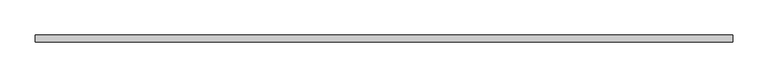
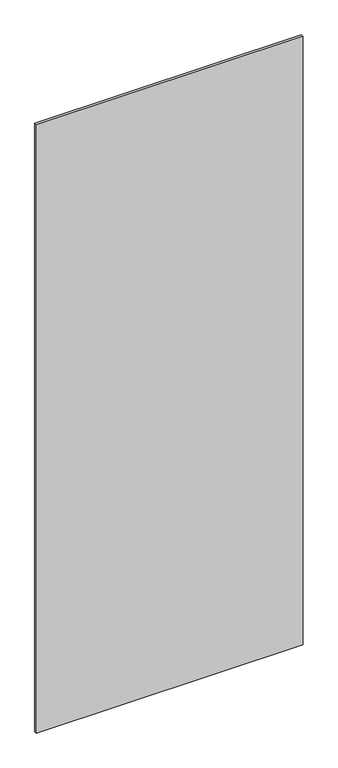
"""IFC4 building model written with IfcOpenShell, lengths in millimetres: plate geometry."""

import ifcopenshell
import ifcopenshell.guid

model = None  # the IFC model being written
_history = None  # IfcOwnerHistory: only IFC2X3 demands one
_inside = {}  # id of a spatial element -> (the spatial element, [elements in it])
_under = {}  # id of a project, library or spatial element -> (it, [spatial elements below it])
_declared = {}  # id of a project -> (the project, [libraries it declares])
_typed = {}  # id of a type object -> (the type object, [elements of that type])
_made_of = {}  # id of a material, layer set ... -> (it, [elements and type objects made of it])


def new_model(schema):
    """Start an empty IFC model of exactly this schema.

    Asked for "IFC4X3", IfcOpenShell would pick the latest addendum, in which some entities
    have other attributes; the version numbers below select the first issue.
    IFC2X3 requires an IfcOwnerHistory on every rooted entity: one is made here for all.
    """
    global model, _history
    if schema == "IFC4X3":
        model = ifcopenshell.file(schema_version=(4, 3, 0, 0))
    else:
        model = ifcopenshell.file(schema=schema)
    _inside.clear()
    _under.clear()
    _declared.clear()
    _typed.clear()
    _made_of.clear()
    _history = None
    if model.schema == "IFC2X3":
        org = make("IfcOrganization", Name="unknown")
        user = make(
            "IfcPersonAndOrganization",
            ThePerson=make("IfcPerson", FamilyName="unknown"),
            TheOrganization=org,
        )
        app = make(
            "IfcApplication",
            ApplicationDeveloper=org,
            Version="unknown",
            ApplicationFullName="unknown",
            ApplicationIdentifier="unknown",
        )
        _history = make(
            "IfcOwnerHistory",
            OwningUser=user,
            OwningApplication=app,
            ChangeAction="ADDED",
            CreationDate=0,
        )
    return model


def make(cls, **values):
    """One entity of the class cls with the attributes given. An attribute that is None is left unset."""
    return model.create_entity(
        cls, **{name: value for name, value in values.items() if value is not None}
    )


def rooted(cls, **values):
    """An entity with a GlobalId (a new one), such as an element, a storey or a relation."""
    return make(cls, GlobalId=ifcopenshell.guid.new(), OwnerHistory=_history, **values)


def si_unit(unit_type, name, prefix=None):
    """IfcSIUnit, for example si_unit("LENGTHUNIT", "METRE", prefix="MILLI")."""
    return make("IfcSIUnit", UnitType=unit_type, Prefix=prefix, Name=name)


def assignment(units):
    """IfcUnitAssignment: the units of a project."""
    return None if units is None else make("IfcUnitAssignment", Units=units)


def point(xyz):
    """IfcCartesianPoint."""
    return None if xyz is None else make("IfcCartesianPoint", Coordinates=xyz)


def direction(xyz):
    """IfcDirection."""
    return None if xyz is None else make("IfcDirection", DirectionRatios=xyz)


def frame(location, z_axis=None, x_axis=None):
    """IfcAxis2Placement3D, a coordinate frame: its origin and axes. An axis left out is left unset."""
    return make(
        "IfcAxis2Placement3D",
        Location=point(location),
        Axis=direction(z_axis),
        RefDirection=direction(x_axis),
    )


def origin():
    """The frame at (0, 0, 0) with its axes left unset."""
    return frame((0.0, 0.0, 0.0))


def origin_with_axes():
    """The frame at (0, 0, 0) with the z axis (0, 0, 1) and the x axis (1, 0, 0) written out."""
    return frame((0.0, 0.0, 0.0), z_axis=(0.0, 0.0, 1.0), x_axis=(1.0, 0.0, 0.0))


def place(relative_to, where):
    """IfcLocalPlacement: puts the frame where relative to a parent placement (None: the world)."""
    return make(
        "IfcLocalPlacement", PlacementRelTo=relative_to, RelativePlacement=where
    )


def context(
    kind, dimensions, precision=None, world=None, true_north=None, identifier=None
):
    """IfcGeometricRepresentationContext, for example the 3D "Model" context."""
    return make(
        "IfcGeometricRepresentationContext",
        ContextIdentifier=identifier,
        ContextType=kind,
        CoordinateSpaceDimension=dimensions,
        Precision=precision,
        WorldCoordinateSystem=world,
        TrueNorth=true_north,
    )


def project(units=None, contexts=None):
    """IfcProject with its units and contexts."""
    return rooted(
        "IfcProject",
        Name="project",
        RepresentationContexts=contexts,
        UnitsInContext=assignment(units),
    )


def spatial(cls, under=None, at=None, **own):
    """A site, building, storey or space (cls), placed at a placement, below another one or the project."""
    s = rooted(cls, ObjectPlacement=at, **own)
    if under is not None:
        _under.setdefault(under.id(), (under, []))[1].append(s)
    return s


def polyline(points):
    """IfcPolyline through the points."""
    return make("IfcPolyline", Points=[point(p) for p in points])


def outline(outer, holes=None, kind="AREA"):
    """IfcArbitraryClosedProfileDef: a profile drawn as a closed curve; with holes, ...WithVoids."""
    if holes is None:
        return make("IfcArbitraryClosedProfileDef", ProfileType=kind, OuterCurve=outer)
    return make(
        "IfcArbitraryProfileDefWithVoids",
        ProfileType=kind,
        OuterCurve=outer,
        InnerCurves=holes,
    )


def extrude(swept, where, along, depth):
    """IfcExtrudedAreaSolid: the profile swept, set in the frame where, extruded along a direction by depth."""
    return make(
        "IfcExtrudedAreaSolid",
        SweptArea=swept,
        Position=where,
        ExtrudedDirection=direction(along),
        Depth=depth,
    )


def shape(context_of_items, identifier, shape_type, items):
    """IfcShapeRepresentation: the items that make up one representation, for example the "Body"."""
    return make(
        "IfcShapeRepresentation",
        ContextOfItems=context_of_items,
        RepresentationIdentifier=identifier,
        RepresentationType=shape_type,
        Items=items,
    )


def source(mapping_origin, context_of_items, identifier, shape_type, items):
    """IfcRepresentationMap: a shape defined once, which mapped items show again and again."""
    return make(
        "IfcRepresentationMap",
        MappingOrigin=mapping_origin,
        MappedRepresentation=shape(context_of_items, identifier, shape_type, items),
    )


def transform(
    local_origin,
    x_axis=None,
    y_axis=None,
    z_axis=None,
    scale=None,
    scale2=None,
    scale3=None,
    uniform=True,
):
    """IfcCartesianTransformationOperator3D, or its non-uniform kind. x_axis, y_axis, z_axis: its Axis1, 2, 3."""
    if uniform:
        return make(
            "IfcCartesianTransformationOperator3D",
            Axis1=direction(x_axis),
            Axis2=direction(y_axis),
            LocalOrigin=point(local_origin),
            Scale=scale,
            Axis3=direction(z_axis),
        )
    return make(
        "IfcCartesianTransformationOperator3DnonUniform",
        Axis1=direction(x_axis),
        Axis2=direction(y_axis),
        LocalOrigin=point(local_origin),
        Scale=scale,
        Axis3=direction(z_axis),
        Scale2=scale2,
        Scale3=scale3,
    )


def mapped(mapping_source, mapping_target):
    """IfcMappedItem: shows the shape of a source again, moved by a transform."""
    return make(
        "IfcMappedItem", MappingSource=mapping_source, MappingTarget=mapping_target
    )


def made_of(thing, what):
    """Note that an element or type object is made of a material, layer set ...; save() writes the relation."""
    if what is not None:
        _made_of.setdefault(what.id(), (what, []))[1].append(thing)
    return thing


def element(
    cls,
    number,
    at=None,
    inside=None,
    cuts=None,
    type_object=None,
    material=None,
    context=None,
    identifier="Body",
    shape_type=None,
    held_by="IfcProductDefinitionShape",
    body=None,
    shapes=None,
    **own,
):
    """One element of the class cls, such as IfcWall. Its Tag is "e" and its number.

    at: its placement. inside: the storey or other place that contains it. cuts: it is an
    opening in that element (IfcRelVoidsElement). A single representation is given by context,
    identifier, shape_type and body (its items); several are given by shapes. held_by: the class
    of the entity that holds the representations. save() writes the other relations.
    """
    e = rooted(cls, Tag="e%d" % number, ObjectPlacement=at, **own)
    if body is not None:
        shapes = [shape(context, identifier, shape_type, body)]
    if shapes is not None:
        e.Representation = make(held_by, Representations=shapes)
    if inside is not None:
        _inside.setdefault(inside.id(), (inside, []))[1].append(e)
    if cuts is not None:
        rooted(
            "IfcRelVoidsElement", RelatingBuildingElement=cuts, RelatedOpeningElement=e
        )
    if type_object is not None:
        _typed.setdefault(type_object.id(), (type_object, []))[1].append(e)
    return made_of(e, material)


def aggregate(whole, parts):
    """IfcRelAggregates: a whole, such as a stair, and the parts it consists of."""
    return rooted("IfcRelAggregates", RelatingObject=whole, RelatedObjects=parts)


def save(model, path):
    """Write the relations noted so far, then the file.

    IfcRelAggregates (storeys below a building ...), IfcRelContainedInSpatialStructure (elements
    in a storey), IfcRelDefinesByType, IfcRelAssociatesMaterial and IfcRelDeclares: one each for
    every whole, place, type object, material and project.
    """
    for whole, parts in _under.values():
        aggregate(whole, parts)
    for where, things in _inside.values():
        rooted(
            "IfcRelContainedInSpatialStructure",
            RelatedElements=things,
            RelatingStructure=where,
        )
    for kind, things in _typed.values():
        rooted("IfcRelDefinesByType", RelatedObjects=things, RelatingType=kind)
    for what, things in _made_of.values():
        rooted("IfcRelAssociatesMaterial", RelatedObjects=things, RelatingMaterial=what)
    for by, libraries in _declared.values():
        rooted("IfcRelDeclares", RelatingContext=by, RelatedDefinitions=libraries)
    model.write(path)


def plate_f1fb9e25(model_context):
    return source(origin(), model_context, "Body", "SweptSolid", [
        extrude(outline(polyline([(497.9999999, -5.0), (-497.9999999, -5.0), (-497.9999999, 5.0), (497.9999999, 5.0), (497.9999999, -5.0)])), origin_with_axes(), (0.0, 0.0, 1.0), 2401.0),
    ])


if __name__ == "__main__":
    model = new_model("IFC4")
    model_context = context("Model", 3, world=origin())
    ifc_project = project(units=[si_unit("LENGTHUNIT", "METRE", prefix="MILLI")], contexts=[model_context])
    site = spatial("IfcSite", under=ifc_project)
    building = spatial("IfcBuilding", under=site)
    placement = place(None, origin())
    plate_shape = plate_f1fb9e25(model_context)
    element("IfcPlate", 1, at=placement, inside=building, context=model_context, shape_type="MappedRepresentation", body=[
        mapped(plate_shape, transform((0.0, 0.0, 0.0), x_axis=(1.0, 0.0, 0.0), y_axis=(0.0, 1.0, 0.0), z_axis=(0.0, 0.0, 1.0))),
    ])
    save(model, "model.ifc")
